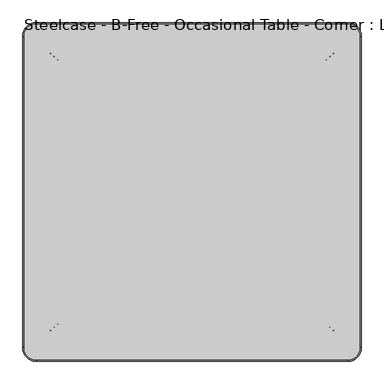
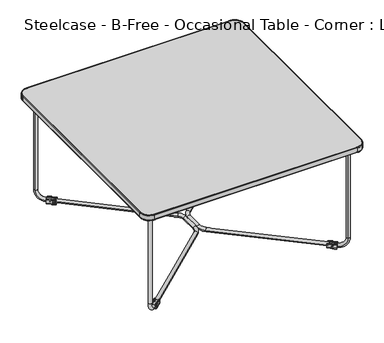
"""IFC4 building model written with IfcOpenShell, lengths in millimetres: furniture geometry, Steelcase - B-Free - Occasional Table - Corner : Laminate Top."""

from ifc_helpers import new_model, si_unit, point, frame, frame_2d, origin, place, context, project, spatial, polyline, circle_curve, ellipse_curve, trimmed, segment, composite_curve, outline, extrude, source, transform, mapped, element, save
from ifc_brep_helpers import plane_surface, cylinder_surface, revolved_surface, extruded_surface, advanced_brep


def steelcase_b_free_occasional_table_corner_laminate_top_5ac02297(model_context):
    return source(origin(), model_context, "Body", "SolidModel", [
        extrude(outline(composite_curve([segment(trimmed(circle_curve(frame_2d((9.812096, -3.9878)), 3.9878), [point((9.812096, 0.0))], [point((13.7998959, -3.9878))], False, "CARTESIAN"), True, "CONTINUOUS"), segment(polyline([(13.7998959, -3.9878), (13.7998959, -15.1383982)]), True, "CONTINUOUS"), segment(trimmed(circle_curve(frame_2d((12.2250941, -15.1383982)), 1.5748018), [point((13.7998959, -15.1383982))], [point((12.2250941, -16.7132))], False, "CARTESIAN"), True, "CONTINUOUS"), segment(polyline([(12.2250941, -16.7132), (10.5107142, -16.7132), (10.5107142, -14.1623671)]), True, "CONTINUOUS"), segment(trimmed(circle_curve(frame_2d((5.0501318, -11.0203867)), 6.3), [point((10.5107142, -14.1623671))], [point((-0.4104506, -14.1623671))], True, "CARTESIAN"), True, "CONTINUOUS"), segment(polyline([(-0.4104506, -14.1623671), (-0.4104506, -16.7132), (-2.1499622, -16.7132)]), True, "CONTINUOUS"), segment(trimmed(circle_curve(frame_2d((-2.1499622, -15.1383986)), 1.5748014), [point((-2.1499622, -16.7132))], [point((-3.7247637, -15.1383986))], False, "CARTESIAN"), True, "CONTINUOUS"), segment(polyline([(-3.7247637, -15.1383986), (-3.7247637, -3.9878)]), True, "CONTINUOUS"), segment(trimmed(circle_curve(frame_2d((0.0, -3.7334386)), 3.7334386), [point((-3.7247637, -3.9878))], [point((0.0, 0.0))], False, "CARTESIAN"), True, "CONTINUOUS"), segment(polyline([(0.0, 0.0), (9.812096, 0.0)]), True, "CONTINUOUS")], self_intersect=False)), frame((60.8887326, -683.9567537, -0.1093042), z_axis=(0.7553542899233464, 0.6553166384995861, 0.0), x_axis=(0.6553166384995861, -0.7553542899233464, 0.0)), (0.0, 0.0, 1.0), 28.5969337),
        advanced_brep(
        [(78.7097673, -667.5762712, 10.2535321), (86.572963, -676.6398265, 10.2535321), (35.2738438, -705.2596256, 369.0), (43.1370394, -714.3231809, 369.0), (59.5237683, -684.2213139, 10.2535321), (67.386964, -693.2848691, 10.2535321), (43.1370394, -714.3231809, 42.3575724), (35.2738438, -705.2596256, 42.3575724)],
        [
            (0, 1, ellipse_curve(frame((82.6413651, -672.1080489, 10.2535321), z_axis=(0.7553542899233493, 0.6553166384995828, 0.0), x_axis=(0.0, 0.0, -1.0)), 6.0, 5.9995392)),
            (1, 0, ellipse_curve(frame((82.6413651, -672.1080489, 10.2535321), z_axis=(0.7553542899233493, 0.6553166384995828, 0.0), x_axis=(0.0, 0.0, -1.0)), 6.0, 5.9995392)),
            (2, 3, ellipse_curve(frame((39.2054416, -709.7914033, 369.0), z_axis=(0.0, 0.0, 1.0), x_axis=(-0.7553542899235204, -0.6553166384993857, 0.0)), 6.0, 5.9995392)),
            (3, 2, ellipse_curve(frame((39.2054416, -709.7914033, 369.0), z_axis=(0.0, 0.0, 1.0), x_axis=(-0.7553542899235204, -0.6553166384993857, 0.0)), 6.0, 5.9995392)),
            (0, 4),
            (4, 5, ellipse_curve(frame((63.4553662, -688.7530915, 10.2535321), z_axis=(0.7553542899233523, 0.6553166384995792, 0.0), x_axis=(0.0, 0.0, -1.0)), 6.0, 5.9995392)),
            (5, 1),
            (5, 4, ellipse_curve(frame((63.4553662, -688.7530915, 10.2535321), z_axis=(0.7553542899233523, 0.6553166384995792, 0.0), x_axis=(0.0, 0.0, -1.0)), 6.0, 5.9995392)),
            (6, 5, circle_curve(frame((67.386964, -693.2848691, 42.3575724), z_axis=(0.6553166384995827, -0.7553542899233493, 0.0), x_axis=(0.0, 0.0, -1.0)), 32.1040403)),
            (4, 7, circle_curve(frame((59.5237683, -684.2213139, 42.3575724), z_axis=(-0.6553166384995827, 0.7553542899233493, 0.0), x_axis=(0.0, 0.0, -1.0)), 32.1040403)),
            (7, 6, ellipse_curve(frame((39.2054416, -709.7914033, 42.3575724), z_axis=(0.0, 0.0, -1.0), x_axis=(-0.7553542899235203, -0.6553166384993856, 0.0)), 6.0, 5.9995392)),
            (6, 7, ellipse_curve(frame((39.2054416, -709.7914033, 42.3575724), z_axis=(0.0, 0.0, -1.0), x_axis=(-0.7553542899235203, -0.6553166384993856, 0.0)), 6.0, 5.9995392)),
            (7, 2),
            (3, 6),
        ],
        [
            plane_surface(frame((87.961107, -678.2398783, 4.2575724), z_axis=(0.7553542899233493, 0.6553166384995828, 0.0), x_axis=(-0.6553166384995828, 0.7553542899233493, 0.0))),
            plane_surface(frame((39.9961096, -719.8524849, 369.0), z_axis=(0.0, 0.0, 1.0), x_axis=(-0.6553166384995827, 0.7553542899233494, 0.0))),
            extruded_surface(trimmed(ellipse_curve(frame((63.4553662, -688.7530915, 10.2535321), z_axis=(0.7553542899233493, 0.6553166384995828, 0.0), x_axis=(0.0, 0.0, -1.0)), 6.0, 5.9995392), [point((59.5237683, -684.2213139, 10.2535321))], [point((67.386964, -693.2848691, 10.2535321))], True, "CARTESIAN"), (19.1859989, 16.64504260000001, 0.0), 25.399999939894023),
            extruded_surface(trimmed(ellipse_curve(frame((63.4553662, -688.7530915, 10.2535321), z_axis=(0.7553542899233493, 0.6553166384995828, 0.0), x_axis=(0.0, 0.0, -1.0)), 6.0, 5.9995392), [point((67.386964, -693.2848691, 10.2535321))], [point((59.5237683, -684.2213139, 10.2535321))], True, "CARTESIAN"), (19.1859989, 16.64504260000001, 0.0), 25.399999939894023),
            revolved_surface(trimmed(ellipse_curve(frame((63.4553662, -688.7530915, 10.2535321), z_axis=(0.7553542899233523, 0.6553166384995792, 0.0), x_axis=(0.0, 0.0, -1.0)), 6.0, 5.9995392), [point((59.5237683, -684.2213139, 10.2535321))], [point((67.386964, -693.2848691, 10.2535321))], True, "CARTESIAN"), (68.775108, -694.8849209, 42.3575724), (-0.6553166384995827, 0.7553542899233493, 0.0)),
            revolved_surface(trimmed(ellipse_curve(frame((63.4553662, -688.7530915, 10.2535321), z_axis=(0.7553542899233523, 0.6553166384995792, 0.0), x_axis=(0.0, 0.0, -1.0)), 6.0, 5.9995392), [point((67.386964, -693.2848691, 10.2535321))], [point((59.5237683, -684.2213139, 10.2535321))], True, "CARTESIAN"), (68.775108, -694.8849209, 42.3575724), (-0.6553166384995827, 0.7553542899233493, 0.0)),
            extruded_surface(trimmed(ellipse_curve(frame((39.2054416, -709.7914033, 369.0), z_axis=(0.0, 0.0, -1.0), x_axis=(-0.7553542899235204, -0.6553166384993857, 0.0)), 6.0, 5.9995392), [point((35.2738438, -705.2596256, 369.0))], [point((43.1370394, -714.3231809, 369.0))], True, "CARTESIAN"), (0.0, 0.0, -326.6424276), 326.6424276),
            extruded_surface(trimmed(ellipse_curve(frame((39.2054416, -709.7914033, 369.0), z_axis=(0.0, 0.0, -1.0), x_axis=(-0.7553542899235204, -0.6553166384993857, 0.0)), 6.0, 5.9995392), [point((43.1370394, -714.3231809, 369.0))], [point((35.2738438, -705.2596256, 369.0))], True, "CARTESIAN"), (0.0, 0.0, -326.6424276), 326.6424276),
        ],
        [
            (0, [[1, 2]]),
            (1, [[3, 4]]),
            (2, [[-1, 5, 6, 7]]),
            (3, [[-2, -7, 8, -5]]),
            (4, [[9, -6, 10, 11]]),
            (5, [[-10, -8, -9, 12]]),
            (6, [[-11, 13, -4, 14]]),
            (7, [[-12, -14, -3, -13]]),
        ],
    ),
        extrude(outline(composite_curve([segment(trimmed(circle_curve(frame_2d((0.0, -3.9878)), 3.9878), [point((-3.9878, -3.9878))], [point((0.0, 0.0))], False, "CARTESIAN"), True, "CONTINUOUS"), segment(polyline([(0.0, 0.0), (11.1505982, 0.0)]), True, "CONTINUOUS"), segment(trimmed(circle_curve(frame_2d((11.1505982, -1.5748018)), 1.5748018), [point((11.1505982, 0.0))], [point((12.7254, -1.5748018))], False, "CARTESIAN"), True, "CONTINUOUS"), segment(polyline([(12.7254, -1.5748018), (12.7254, -3.2891818), (10.1745671, -3.2891818)]), True, "CONTINUOUS"), segment(trimmed(circle_curve(frame_2d((7.0325867, -8.7497641)), 6.3), [point((10.1745671, -3.2891818))], [point((10.1745671, -14.2103464))], True, "CARTESIAN"), True, "CONTINUOUS"), segment(polyline([(10.1745671, -14.2103464), (12.7254, -14.2103464), (12.7254, -15.9498581)]), True, "CONTINUOUS"), segment(trimmed(circle_curve(frame_2d((11.1505986, -15.9498581)), 1.5748014), [point((12.7254, -15.9498581))], [point((11.1505986, -17.5246595))], False, "CARTESIAN"), True, "CONTINUOUS"), segment(polyline([(11.1505986, -17.5246595), (0.0, -17.5246595)]), True, "CONTINUOUS"), segment(trimmed(circle_curve(frame_2d((-0.2543614, -13.7998959)), 3.7334386), [point((0.0, -17.5246595))], [point((-3.9878, -13.7998959))], False, "CARTESIAN"), True, "CONTINUOUS"), segment(polyline([(-3.9878, -13.7998959), (-3.9878, -3.9878)]), True, "CONTINUOUS")], self_intersect=False)), frame((91.5328506, -73.6594822, 3.8784958), z_axis=(-0.7553542899233464, 0.6553166384995861, 0.0), x_axis=(0.0, 0.0, 1.0)), (0.0, 0.0, 1.0), 28.5969337),
        advanced_brep(
        [(78.7097673, -81.7237288, 10.2535321), (86.572963, -72.6601735, 10.2535321), (35.2738438, -44.0403744, 369.0), (43.1370394, -34.9768191, 369.0), (67.386964, -56.0151309, 10.2535321), (59.5237683, -65.0786861, 10.2535321), (35.2738438, -44.0403744, 42.3575724), (43.1370394, -34.9768191, 42.3575724)],
        [
            (0, 1, ellipse_curve(frame((82.6413651, -77.1919511, 10.2535321), z_axis=(0.7553542899233493, -0.6553166384995828, 0.0), x_axis=(0.0, 0.0, -1.0)), 6.0, 5.9995392)),
            (1, 0, ellipse_curve(frame((82.6413651, -77.1919511, 10.2535321), z_axis=(0.7553542899233493, -0.6553166384995828, 0.0), x_axis=(0.0, 0.0, -1.0)), 6.0, 5.9995392)),
            (2, 3, ellipse_curve(frame((39.2054416, -39.5085967, 369.0), z_axis=(0.0, 0.0, 1.0), x_axis=(-0.7553542899235204, 0.6553166384993857, 0.0)), 6.0, 5.9995392)),
            (3, 2, ellipse_curve(frame((39.2054416, -39.5085967, 369.0), z_axis=(0.0, 0.0, 1.0), x_axis=(-0.7553542899235204, 0.6553166384993857, 0.0)), 6.0, 5.9995392)),
            (1, 4),
            (4, 5, ellipse_curve(frame((63.4553662, -60.5469085, 10.2535321), z_axis=(0.7553542899233523, -0.6553166384995792, 0.0), x_axis=(0.0, 0.0, -1.0)), 6.0, 5.9995392)),
            (5, 0),
            (5, 4, ellipse_curve(frame((63.4553662, -60.5469085, 10.2535321), z_axis=(0.7553542899233523, -0.6553166384995792, 0.0), x_axis=(0.0, 0.0, -1.0)), 6.0, 5.9995392)),
            (6, 5, circle_curve(frame((59.5237683, -65.0786861, 42.3575724), z_axis=(-0.6553166384995827, -0.7553542899233493, 0.0), x_axis=(0.0, 0.0, -1.0)), 32.1040403)),
            (4, 7, circle_curve(frame((67.386964, -56.0151309, 42.3575724), z_axis=(0.6553166384995827, 0.7553542899233493, 0.0), x_axis=(0.0, 0.0, -1.0)), 32.1040403)),
            (7, 6, ellipse_curve(frame((39.2054416, -39.5085967, 42.3575724), z_axis=(0.0, 0.0, -1.0), x_axis=(-0.7553542899235203, 0.6553166384993856, 0.0)), 6.0, 5.9995392)),
            (6, 7, ellipse_curve(frame((39.2054416, -39.5085967, 42.3575724), z_axis=(0.0, 0.0, -1.0), x_axis=(-0.7553542899235203, 0.6553166384993856, 0.0)), 6.0, 5.9995392)),
            (7, 3),
            (2, 6),
        ],
        [
            plane_surface(frame((87.961107, -71.0601217, 4.2575724), z_axis=(0.7553542899233493, -0.6553166384995828, 0.0), x_axis=(-0.6553166384995828, -0.7553542899233493, 0.0))),
            plane_surface(frame((39.9961096, -29.4475151, 369.0), z_axis=(0.0, 0.0, 1.0), x_axis=(-0.6553166384995827, -0.7553542899233494, 0.0))),
            extruded_surface(trimmed(ellipse_curve(frame((63.4553662, -60.5469085, 10.2535321), z_axis=(0.7553542899233493, -0.6553166384995828, 0.0), x_axis=(0.0, 0.0, -1.0)), 6.0, 5.9995392), [point((67.386964, -56.0151309, 10.2535321))], [point((59.5237683, -65.0786861, 10.2535321))], True, "CARTESIAN"), (19.1859989, -16.645042599999996, 0.0), 25.399999939894013),
            extruded_surface(trimmed(ellipse_curve(frame((63.4553662, -60.5469085, 10.2535321), z_axis=(0.7553542899233493, -0.6553166384995828, 0.0), x_axis=(0.0, 0.0, -1.0)), 6.0, 5.9995392), [point((59.5237683, -65.0786861, 10.2535321))], [point((67.386964, -56.0151309, 10.2535321))], True, "CARTESIAN"), (19.1859989, -16.645042599999996, 0.0), 25.399999939894013),
            revolved_surface(trimmed(ellipse_curve(frame((63.4553662, -60.5469085, 10.2535321), z_axis=(0.7553542899233523, -0.6553166384995792, 0.0), x_axis=(0.0, 0.0, -1.0)), 6.0, 5.9995392), [point((67.386964, -56.0151309, 10.2535321))], [point((59.5237683, -65.0786861, 10.2535321))], True, "CARTESIAN"), (68.775108, -54.4150791, 42.3575724), (0.6553166384995827, 0.7553542899233493, 0.0)),
            revolved_surface(trimmed(ellipse_curve(frame((63.4553662, -60.5469085, 10.2535321), z_axis=(0.7553542899233523, -0.6553166384995792, 0.0), x_axis=(0.0, 0.0, -1.0)), 6.0, 5.9995392), [point((59.5237683, -65.0786861, 10.2535321))], [point((67.386964, -56.0151309, 10.2535321))], True, "CARTESIAN"), (68.775108, -54.4150791, 42.3575724), (0.6553166384995827, 0.7553542899233493, 0.0)),
            extruded_surface(trimmed(ellipse_curve(frame((39.2054416, -39.5085967, 369.0), z_axis=(0.0, 0.0, -1.0), x_axis=(-0.7553542899235204, 0.6553166384993857, 0.0)), 6.0, 5.9995392), [point((43.1370394, -34.9768191, 369.0))], [point((35.2738438, -44.0403744, 369.0))], True, "CARTESIAN"), (0.0, 0.0, -326.6424276), 326.6424276),
            extruded_surface(trimmed(ellipse_curve(frame((39.2054416, -39.5085967, 369.0), z_axis=(0.0, 0.0, -1.0), x_axis=(-0.7553542899235204, 0.6553166384993857, 0.0)), 6.0, 5.9995392), [point((35.2738438, -44.0403744, 369.0))], [point((43.1370394, -34.9768191, 369.0))], True, "CARTESIAN"), (0.0, 0.0, -326.6424276), 326.6424276),
        ],
        [
            (0, [[1, 2]]),
            (1, [[3, 4]]),
            (2, [[-2, 5, 6, 7]]),
            (3, [[-1, -7, 8, -5]]),
            (4, [[9, -6, 10, 11]]),
            (5, [[-10, -8, -9, 12]]),
            (6, [[-11, 13, -3, 14]]),
            (7, [[-12, -14, -4, -13]]),
        ],
    ),
        advanced_brep(
        [(78.854197, -682.840235, 10.2535321), (70.8810384, -673.8720277, 10.2535321), (352.8630099, -423.1767789, 10.2535321), (360.8361685, -432.1449862, 10.2535321), (374.4091053, -401.9166017, 10.2535321), (362.4091053, -401.9166017, 10.2535321), (362.4091053, -346.5187424, 10.2535321), (374.4091053, -346.5187424, 10.2535321), (82.5102415, -69.4616102, 10.2535321), (74.534704, -78.4277019, 10.2535321), (361.4033274, -317.5431963, 10.2535321), (353.4277899, -326.5092881, 10.2535321)],
        [
            (0, 1, circle_curve(frame((74.8676177, -678.3561314, 10.2535321), z_axis=(-0.7473506107488803, -0.6644298793802665, 0.0), x_axis=(-0.6644298793802665, 0.7473506107488803, 0.0)), 6.0)),
            (1, 0, circle_curve(frame((74.8676177, -678.3561314, 10.2535321), z_axis=(-0.7473506107488803, -0.6644298793802665, 0.0), x_axis=(-0.6644298793802665, 0.7473506107488803, 0.0)), 6.0)),
            (1, 2),
            (2, 3, circle_curve(frame((356.8495892, -427.6608825, 10.2535321), z_axis=(-0.7473506107488803, -0.6644298793802665, 0.0), x_axis=(-0.6644298793802665, 0.7473506107488803, 0.0)), 6.0)),
            (3, 0),
            (3, 2, circle_curve(frame((356.8495892, -427.6608825, 10.2535321), z_axis=(-0.7473506107488803, -0.6644298793802665, 0.0), x_axis=(-0.6644298793802665, 0.7473506107488803, 0.0)), 6.0)),
            (4, 5, circle_curve(frame((368.4091053, -401.9166017, 10.2535321), z_axis=(0.0, 1.0, 0.0), x_axis=(-1.0, 0.0, 0.0)), 6.0)),
            (5, 6),
            (6, 7, circle_curve(frame((368.4091053, -346.5187424, 10.2535321), z_axis=(0.0, -1.0, 0.0), x_axis=(-1.0, 0.0, 0.0)), 6.0)),
            (7, 4),
            (5, 4, circle_curve(frame((368.4091053, -401.9166017, 10.2535321), z_axis=(0.0, 1.0, 0.0), x_axis=(-1.0, 0.0, 0.0)), 6.0)),
            (7, 6, circle_curve(frame((368.4091053, -346.5187424, 10.2535321), z_axis=(0.0, -1.0, 0.0), x_axis=(-1.0, 0.0, 0.0)), 6.0)),
            (8, 9, circle_curve(frame((78.5224727, -73.944656, 10.2535321), z_axis=(-0.7471743136777035, 0.6646281253304382, 0.0), x_axis=(-0.6646281253304382, -0.7471743136777035, 0.0)), 6.0)),
            (9, 8, circle_curve(frame((78.5224727, -73.944656, 10.2535321), z_axis=(-0.7471743136777035, 0.6646281253304382, 0.0), x_axis=(-0.6646281253304382, -0.7471743136777035, 0.0)), 6.0)),
            (10, 11, circle_curve(frame((357.4155586, -322.0262422, 10.2535321), z_axis=(-0.7471743136777035, 0.6646281253304382, 0.0), x_axis=(-0.6646281253304382, -0.7471743136777035, 0.0)), 6.0)),
            (11, 9),
            (8, 10),
            (11, 10, circle_curve(frame((357.4155586, -322.0262422, 10.2535321), z_axis=(-0.7471743136777035, 0.6646281253304382, 0.0), x_axis=(-0.6646281253304382, -0.7471743136777035, 0.0)), 6.0)),
            (4, 3, circle_curve(frame((333.9617115, -401.9166017, 10.2535321), z_axis=(0.0, 0.0, -1.0), x_axis=(0.6644298793802712, -0.7473506107488762, 0.0)), 40.4473939)),
            (2, 5, circle_curve(frame((333.9617115, -401.9166017, 10.2535321), z_axis=(0.0, 0.0, 1.0), x_axis=(0.6644298793802712, -0.7473506107488762, 0.0)), 28.4473939)),
            (10, 7, circle_curve(frame((335.6289364, -346.5187424, 10.2535321), z_axis=(0.0, 0.0, -1.0), x_axis=(1.0, 0.0, 0.0)), 38.7801689)),
            (6, 11, circle_curve(frame((335.6289364, -346.5187424, 10.2535321), z_axis=(0.0, 0.0, 1.0), x_axis=(1.0, 0.0, 0.0)), 26.7801689)),
        ],
        [
            plane_surface(frame((70.8810384, -673.8720277, 0.0), z_axis=(-0.7473506107488803, -0.6644298793802665, 0.0), x_axis=(0.0, 0.0, 1.0))),
            cylinder_surface(frame((74.8676177, -678.3561314, 10.2535321), z_axis=(-0.7473506107488803, -0.6644298793802665, 0.0), x_axis=(-0.6644298793802665, 0.7473506107488803, 0.0)), 6.0),
            cylinder_surface(frame((368.4091053, -401.9166017, 10.2535321), z_axis=(0.0, -1.0, 0.0), x_axis=(-1.0, 0.0, 0.0)), 6.0),
            plane_surface(frame((74.534704, -78.4277019, 0.0), z_axis=(-0.7471743136777036, 0.6646281253304382, 0.0), x_axis=(0.0, 0.0, 1.0))),
            cylinder_surface(frame((357.4155586, -322.0262422, 10.2535321), z_axis=(0.7471743136777035, -0.6646281253304382, 0.0), x_axis=(-0.6646281253304382, -0.7471743136777035, 0.0)), 6.0),
            revolved_surface(trimmed(ellipse_curve(frame((356.8495892, -427.6608825, 10.2535321), z_axis=(-0.7473506107488761, -0.6644298793802713, 0.0), x_axis=(-0.6644298793802713, 0.7473506107488761, 0.0)), 6.0, 6.0), [point((352.8630099, -423.1767789, 10.2535321))], [point((360.8361685, -432.1449862, 10.2535321))], True, "CARTESIAN"), (333.9617115, -401.9166017, 0.0), (0.0, 0.0, 1.0)),
            revolved_surface(trimmed(ellipse_curve(frame((356.8495892, -427.6608825, 10.2535321), z_axis=(-0.7473506107488761, -0.6644298793802713, 0.0), x_axis=(-0.6644298793802713, 0.7473506107488761, 0.0)), 6.0, 6.0), [point((360.8361685, -432.1449862, 10.2535321))], [point((352.8630099, -423.1767789, 10.2535321))], True, "CARTESIAN"), (333.9617115, -401.9166017, 0.0), (0.0, 0.0, 1.0)),
            revolved_surface(trimmed(ellipse_curve(frame((368.4091053, -346.5187424, 10.2535321), z_axis=(0.0, -1.0, 0.0), x_axis=(-1.0, 0.0, 0.0)), 6.0, 6.0), [point((362.4091053, -346.5187424, 10.2535321))], [point((374.4091053, -346.5187424, 10.2535321))], True, "CARTESIAN"), (335.6289364, -346.5187424, 0.0), (0.0, 0.0, 1.0)),
            revolved_surface(trimmed(ellipse_curve(frame((368.4091053, -346.5187424, 10.2535321), z_axis=(0.0, -1.0, 0.0), x_axis=(-1.0, 0.0, 0.0)), 6.0, 6.0), [point((374.4091053, -346.5187424, 10.2535321))], [point((362.4091053, -346.5187424, 10.2535321))], True, "CARTESIAN"), (335.6289364, -346.5187424, 0.0), (0.0, 0.0, 1.0)),
        ],
        [
            (0, [[1, 2]]),
            (1, [[-2, 3, 4, 5]]),
            (1, [[-1, -5, 6, -3]]),
            (2, [[7, 8, 9, 10]]),
            (2, [[11, -10, 12, -8]]),
            (3, [[13, 14]]),
            (4, [[15, 16, -13, 17]]),
            (4, [[18, -17, -14, -16]]),
            (5, [[19, -4, 20, -7]]),
            (6, [[-20, -6, -19, -11]]),
            (7, [[21, -9, 22, -15]]),
            (8, [[-22, -12, -21, -18]]),
        ],
    ),
        advanced_brep(
        [(30.6815303, -749.2666404, 368.202162), (0.0, -718.5851102, 368.202162), (1.9795303, -718.5851102, 366.2209602), (30.6815303, -747.2871102, 366.2209602), (30.6815303, -749.2666404, 383.2397252), (0.0, -718.5851102, 383.2397252), (30.6815303, -747.2871102, 385.220927), (1.9795303, -718.5851102, 385.220927), (718.566, -747.2871102, 366.2209602), (718.566, -749.2666404, 368.202162), (718.566, -749.2666404, 383.2397252), (718.566, -747.2871102, 385.220927), (749.2475303, -718.5851102, 368.202162), (747.268, -718.5851102, 366.2209602), (749.2475303, -718.5851102, 383.2397252), (747.268, -718.5851102, 385.220927), (747.268, -30.8248273, 366.2209602), (749.2475303, -30.8248273, 368.202162), (749.2475303, -30.8248273, 383.2397252), (747.268, -30.8248273, 385.220927), (718.4751727, -0.0524697, 368.202162), (718.4751727, -2.032, 366.2209602), (718.4751727, -0.0524697, 383.2397252), (718.4751727, -2.032, 385.220927), (30.7240133, -2.032, 366.2209602), (30.7240133, -0.0524697, 368.202162), (30.7240133, -0.0524697, 383.2397252), (30.7240133, -2.032, 385.220927), (0.0, -30.7764831, 368.202162), (1.9795303, -30.7764831, 366.2209602), (0.0, -30.7764831, 383.2397252), (1.9795303, -30.7764831, 385.220927)],
        [
            (0, 1, circle_curve(frame((30.6815303, -718.5851102, 368.202162), z_axis=(0.0, 0.0, -1.0), x_axis=(-1.0, 0.0, 0.0)), 30.6815303)),
            (1, 2, circle_curve(frame((1.9812024, -718.5851102, 368.202162), z_axis=(0.0, -1.0, 0.0), x_axis=(1.0, 0.0, 0.0)), 1.9812024)),
            (2, 3, circle_curve(frame((30.6815303, -718.5851102, 366.2209602), z_axis=(0.0, 0.0, 1.0), x_axis=(-1.0, 0.0, 0.0)), 28.702)),
            (3, 0, circle_curve(frame((30.6815303, -747.285438, 368.202162), z_axis=(-1.0, 0.0, 0.0), x_axis=(0.0, 1.0, 0.0)), 1.9812024)),
            (4, 5, circle_curve(frame((30.6815303, -718.5851102, 383.2397252), z_axis=(0.0, 0.0, -1.0), x_axis=(-1.0, 0.0, 0.0)), 30.6815303)),
            (5, 1),
            (0, 4),
            (6, 7, circle_curve(frame((30.6815303, -718.5851102, 385.220927), z_axis=(0.0, 0.0, -1.0), x_axis=(-1.0, 0.0, 0.0)), 28.702)),
            (7, 5, circle_curve(frame((1.9812024, -718.5851102, 383.2397252), z_axis=(0.0, -1.0, 0.0), x_axis=(1.0, 0.0, 0.0)), 1.9812024)),
            (4, 6, circle_curve(frame((30.6815303, -747.285438, 383.2397252), z_axis=(-1.0, 0.0, 0.0), x_axis=(0.0, 1.0, 0.0)), 1.9812024)),
            (2, 7),
            (6, 3),
            (3, 8),
            (8, 9, circle_curve(frame((718.566, -747.285438, 368.202162), z_axis=(-1.0, 0.0, 0.0), x_axis=(0.0, 1.0, 0.0)), 1.9812024)),
            (9, 0),
            (9, 10),
            (10, 4),
            (10, 11, circle_curve(frame((718.566, -747.285438, 383.2397252), z_axis=(-1.0, 0.0, 0.0), x_axis=(0.0, 1.0, 0.0)), 1.9812024)),
            (11, 6),
            (11, 8),
            (12, 9, circle_curve(frame((718.566, -718.5851102, 368.202162), z_axis=(0.0, 0.0, -1.0), x_axis=(0.0, -1.0, 0.0)), 30.6815303)),
            (8, 13, circle_curve(frame((718.566, -718.5851102, 366.2209602), z_axis=(0.0, 0.0, 1.0), x_axis=(0.0, -1.0, 0.0)), 28.702)),
            (13, 12, circle_curve(frame((747.2663278, -718.5851102, 368.202162), z_axis=(0.0, -1.0, 0.0), x_axis=(-1.0, 0.0, 0.0)), 1.9812024)),
            (14, 10, circle_curve(frame((718.566, -718.5851102, 383.2397252), z_axis=(0.0, 0.0, -1.0), x_axis=(0.0, -1.0, 0.0)), 30.6815303)),
            (12, 14),
            (15, 11, circle_curve(frame((718.566, -718.5851102, 385.220927), z_axis=(0.0, 0.0, -1.0), x_axis=(0.0, -1.0, 0.0)), 28.702)),
            (14, 15, circle_curve(frame((747.2663278, -718.5851102, 383.2397252), z_axis=(0.0, -1.0, 0.0), x_axis=(-1.0, 0.0, 0.0)), 1.9812024)),
            (15, 13),
            (13, 16),
            (16, 17, circle_curve(frame((747.2663278, -30.8248273, 368.202162), z_axis=(0.0, -1.0, 0.0), x_axis=(-1.0, 0.0, 0.0)), 1.9812024)),
            (17, 12),
            (17, 18),
            (18, 14),
            (18, 19, circle_curve(frame((747.2663278, -30.8248273, 383.2397252), z_axis=(0.0, -1.0, 0.0), x_axis=(-1.0, 0.0, 0.0)), 1.9812024)),
            (19, 15),
            (19, 16),
            (20, 17, circle_curve(frame((718.4751727, -30.8248273, 368.202162), z_axis=(0.0, 0.0, -1.0), x_axis=(1.0, 0.0, 0.0)), 30.7723576)),
            (16, 21, circle_curve(frame((718.4751727, -30.8248273, 366.2209602), z_axis=(0.0, 0.0, 1.0), x_axis=(1.0, 0.0, 0.0)), 28.7928273)),
            (21, 20, circle_curve(frame((718.4751727, -2.0336722, 368.202162), z_axis=(1.0, 0.0, 0.0), x_axis=(0.0, -1.0, 0.0)), 1.9812024)),
            (22, 18, circle_curve(frame((718.4751727, -30.8248273, 383.2397252), z_axis=(0.0, 0.0, -1.0), x_axis=(1.0, 0.0, 0.0)), 30.7723576)),
            (20, 22),
            (23, 19, circle_curve(frame((718.4751727, -30.8248273, 385.220927), z_axis=(0.0, 0.0, -1.0), x_axis=(1.0, 0.0, 0.0)), 28.7928273)),
            (22, 23, circle_curve(frame((718.4751727, -2.0336722, 383.2397252), z_axis=(1.0, 0.0, 0.0), x_axis=(0.0, -1.0, 0.0)), 1.9812024)),
            (23, 21),
            (21, 24),
            (24, 25, circle_curve(frame((30.7240133, -2.0336722, 368.202162), z_axis=(1.0, 0.0, 0.0), x_axis=(0.0, -1.0, 0.0)), 1.9812024)),
            (25, 20),
            (25, 26),
            (26, 22),
            (26, 27, circle_curve(frame((30.7240133, -2.0336722, 383.2397252), z_axis=(1.0, 0.0, 0.0), x_axis=(0.0, -1.0, 0.0)), 1.9812024)),
            (27, 23),
            (27, 24),
            (28, 25, circle_curve(frame((30.7240133, -30.7764831, 368.202162), z_axis=(0.0, 0.0, -1.0), x_axis=(0.0, 1.0, 0.0)), 30.7240133)),
            (24, 29, circle_curve(frame((30.7240133, -30.7764831, 366.2209602), z_axis=(0.0, 0.0, 1.0), x_axis=(0.0, 1.0, 0.0)), 28.7444831)),
            (29, 28, circle_curve(frame((1.9812024, -30.7764831, 368.202162), z_axis=(0.0, 1.0, 0.0), x_axis=(1.0, 0.0, 0.0)), 1.9812024)),
            (30, 26, circle_curve(frame((30.7240133, -30.7764831, 383.2397252), z_axis=(0.0, 0.0, -1.0), x_axis=(0.0, 1.0, 0.0)), 30.7240133)),
            (28, 30),
            (31, 27, circle_curve(frame((30.7240133, -30.7764831, 385.220927), z_axis=(0.0, 0.0, -1.0), x_axis=(0.0, 1.0, 0.0)), 28.7444831)),
            (30, 31, circle_curve(frame((1.9812024, -30.7764831, 383.2397252), z_axis=(0.0, 1.0, 0.0), x_axis=(1.0, 0.0, 0.0)), 1.9812024)),
            (31, 29),
            (29, 2),
            (1, 28),
            (5, 30),
            (7, 31),
        ],
        [
            revolved_surface(trimmed(ellipse_curve(frame((1.9812024, -718.5851102, 368.202162), z_axis=(0.0, 1.0, 0.0), x_axis=(1.0, 0.0, 0.0)), 1.9812024, 1.9812024), [point((1.9795303, -718.5851102, 366.2209602))], [point((0.0, -718.5851102, 368.202162))], True, "CARTESIAN"), (30.6815303, -718.5851102, 0.0), (0.0, 0.0, 1.0)),
            cylinder_surface(frame((30.6815303, -718.5851102, 0.0), z_axis=(0.0, 0.0, 1.0), x_axis=(-1.0, 0.0, 0.0)), 30.6815303),
            revolved_surface(trimmed(ellipse_curve(frame((1.9812024, -718.5851102, 383.2397252), z_axis=(0.0, 1.0, 0.0), x_axis=(1.0, 0.0, 0.0)), 1.9812024, 1.9812024), [point((0.0, -718.5851102, 383.2397252))], [point((1.9795303, -718.5851102, 385.220927))], True, "CARTESIAN"), (30.6815303, -718.5851102, 0.0), (0.0, 0.0, 1.0)),
            revolved_surface(polyline([(1.9795302999999969, -718.5851102, 385.220927), (1.9795302999999969, -718.5851102, 366.2209602)]), (30.6815303, -718.5851102, 0.0), (0.0, 0.0, 1.0)),
            cylinder_surface(frame((30.6815303, -747.285438, 368.202162), z_axis=(-1.0, 0.0, 0.0), x_axis=(0.0, 1.0, 0.0)), 1.9812024),
            plane_surface(frame((30.6815303, -749.2666404, 368.202162), z_axis=(0.0, -1.0, 0.0), x_axis=(1.0, 0.0, 0.0))),
            cylinder_surface(frame((30.6815303, -747.285438, 383.2397252), z_axis=(-1.0, 0.0, 0.0), x_axis=(0.0, 1.0, 0.0)), 1.9812024),
            plane_surface(frame((30.6815303, -747.2871102, 385.220927), z_axis=(0.0, 1.0, 0.0), x_axis=(1.0, 0.0, 0.0))),
            revolved_surface(trimmed(ellipse_curve(frame((718.566, -747.285438, 368.202162), z_axis=(-1.0, 0.0, 0.0), x_axis=(0.0, 1.0, 0.0)), 1.9812024, 1.9812024), [point((718.566, -747.2871102, 366.2209602))], [point((718.566, -749.2666404, 368.202162))], True, "CARTESIAN"), (718.566, -718.5851102, 0.0), (0.0, 0.0, 1.0)),
            cylinder_surface(frame((718.566, -718.5851102, 0.0), z_axis=(0.0, 0.0, 1.0), x_axis=(0.0, -1.0, 0.0)), 30.6815303),
            revolved_surface(trimmed(ellipse_curve(frame((718.566, -747.285438, 383.2397252), z_axis=(-1.0, 0.0, 0.0), x_axis=(0.0, 1.0, 0.0)), 1.9812024, 1.9812024), [point((718.566, -749.2666404, 383.2397252))], [point((718.566, -747.2871102, 385.220927))], True, "CARTESIAN"), (718.566, -718.5851102, 0.0), (0.0, 0.0, 1.0)),
            revolved_surface(polyline([(718.566, -747.2871102, 385.220927), (718.566, -747.2871102, 366.2209602)]), (718.566, -718.5851102, 0.0), (0.0, 0.0, 1.0)),
            cylinder_surface(frame((747.2663278, -718.5851102, 368.202162), z_axis=(0.0, -1.0, 0.0), x_axis=(-1.0, 0.0, 0.0)), 1.9812024),
            plane_surface(frame((749.2475303, -718.5851102, 368.202162), z_axis=(1.0, 0.0, 0.0), x_axis=(0.0, 1.0, 0.0))),
            cylinder_surface(frame((747.2663278, -718.5851102, 383.2397252), z_axis=(0.0, -1.0, 0.0), x_axis=(-1.0, 0.0, 0.0)), 1.9812024),
            plane_surface(frame((747.268, -718.5851102, 385.220927), z_axis=(-1.0, 0.0, 0.0), x_axis=(0.0, 1.0, 0.0))),
            revolved_surface(trimmed(ellipse_curve(frame((747.2663278, -30.8248273, 368.202162), z_axis=(0.0, -1.0, 0.0), x_axis=(-1.0, 0.0, 0.0)), 1.9812024, 1.9812024), [point((747.268, -30.8248273, 366.2209602))], [point((749.2475303, -30.8248273, 368.202162))], True, "CARTESIAN"), (718.4751727, -30.8248273, 0.0), (0.0, 0.0, 1.0)),
            cylinder_surface(frame((718.4751727, -30.8248273, 0.0), z_axis=(0.0, 0.0, 1.0), x_axis=(1.0, 0.0, 0.0)), 30.7723576),
            revolved_surface(trimmed(ellipse_curve(frame((747.2663278, -30.8248273, 383.2397252), z_axis=(0.0, -1.0, 0.0), x_axis=(-1.0, 0.0, 0.0)), 1.9812024, 1.9812024), [point((749.2475303, -30.8248273, 383.2397252))], [point((747.268, -30.8248273, 385.220927))], True, "CARTESIAN"), (718.4751727, -30.8248273, 0.0), (0.0, 0.0, 1.0)),
            revolved_surface(polyline([(747.268, -30.8248273, 385.220927), (747.268, -30.8248273, 366.2209602)]), (718.4751727, -30.8248273, 0.0), (0.0, 0.0, 1.0)),
            cylinder_surface(frame((718.4751727, -2.0336722, 368.202162), z_axis=(1.0, 0.0, 0.0), x_axis=(0.0, -1.0, 0.0)), 1.9812024),
            plane_surface(frame((718.4751727, -0.0524697, 368.202162), z_axis=(0.0, 1.0, 0.0), x_axis=(-1.0, 0.0, 0.0))),
            cylinder_surface(frame((718.4751727, -2.0336722, 383.2397252), z_axis=(1.0, 0.0, 0.0), x_axis=(0.0, -1.0, 0.0)), 1.9812024),
            plane_surface(frame((718.4751727, -2.032, 385.220927), z_axis=(0.0, -1.0, 0.0), x_axis=(-1.0, 0.0, 0.0))),
            revolved_surface(trimmed(ellipse_curve(frame((30.7240133, -2.0336722, 368.202162), z_axis=(1.0, 0.0, 0.0), x_axis=(0.0, -1.0, 0.0)), 1.9812024, 1.9812024), [point((30.7240133, -2.032, 366.2209602))], [point((30.7240133, -0.0524697, 368.202162))], True, "CARTESIAN"), (30.7240133, -30.7764831, 0.0), (0.0, 0.0, 1.0)),
            cylinder_surface(frame((30.7240133, -30.7764831, 0.0), z_axis=(0.0, 0.0, 1.0), x_axis=(0.0, 1.0, 0.0)), 30.7240133),
            revolved_surface(trimmed(ellipse_curve(frame((30.7240133, -2.0336722, 383.2397252), z_axis=(1.0, 0.0, 0.0), x_axis=(0.0, -1.0, 0.0)), 1.9812024, 1.9812024), [point((30.7240133, -0.0524697, 383.2397252))], [point((30.7240133, -2.032, 385.220927))], True, "CARTESIAN"), (30.7240133, -30.7764831, 0.0), (0.0, 0.0, 1.0)),
            revolved_surface(polyline([(30.7240133, -2.032, 385.220927), (30.7240133, -2.032, 366.2209602)]), (30.7240133, -30.7764831, 0.0), (0.0, 0.0, 1.0)),
            cylinder_surface(frame((1.9812024, -30.7764831, 368.202162), z_axis=(0.0, 1.0, 0.0), x_axis=(1.0, 0.0, 0.0)), 1.9812024),
            plane_surface(frame((0.0, -30.7764831, 368.202162), z_axis=(-1.0, 0.0, 0.0), x_axis=(0.0, -1.0, 0.0))),
            cylinder_surface(frame((1.9812024, -30.7764831, 383.2397252), z_axis=(0.0, 1.0, 0.0), x_axis=(1.0, 0.0, 0.0)), 1.9812024),
            plane_surface(frame((1.9795303, -30.7764831, 385.220927), z_axis=(1.0, 0.0, 0.0), x_axis=(0.0, -1.0, 0.0))),
        ],
        [
            (0, [[1, 2, 3, 4]]),
            (1, [[5, 6, -1, 7]]),
            (2, [[8, 9, -5, 10]]),
            (3, [[-3, 11, -8, 12]]),
            (4, [[-4, 13, 14, 15]]),
            (5, [[-7, -15, 16, 17]]),
            (6, [[-10, -17, 18, 19]]),
            (7, [[-12, -19, 20, -13]]),
            (8, [[21, -14, 22, 23]]),
            (9, [[24, -16, -21, 25]]),
            (10, [[26, -18, -24, 27]]),
            (11, [[-22, -20, -26, 28]]),
            (12, [[-23, 29, 30, 31]]),
            (13, [[-25, -31, 32, 33]]),
            (14, [[-27, -33, 34, 35]]),
            (15, [[-28, -35, 36, -29]]),
            (16, [[37, -30, 38, 39]]),
            (17, [[40, -32, -37, 41]]),
            (18, [[42, -34, -40, 43]]),
            (19, [[-38, -36, -42, 44]]),
            (20, [[-39, 45, 46, 47]]),
            (21, [[-41, -47, 48, 49]]),
            (22, [[-43, -49, 50, 51]]),
            (23, [[-44, -51, 52, -45]]),
            (24, [[53, -46, 54, 55]]),
            (25, [[56, -48, -53, 57]]),
            (26, [[58, -50, -56, 59]]),
            (27, [[-54, -52, -58, 60]]),
            (28, [[-55, 61, -2, 62]]),
            (29, [[-57, -62, -6, 63]]),
            (30, [[-59, -63, -9, 64]]),
            (31, [[-60, -64, -11, -61]]),
        ],
    ),
        extrude(outline(composite_curve([segment(polyline([(3.9878, -3.9878), (3.9878, -13.7998959)]), True, "CONTINUOUS"), segment(trimmed(circle_curve(frame_2d((0.2543614, -13.7998959)), 3.7334386), [point((3.9878, -13.7998959))], [point((0.0, -17.5246596))], False, "CARTESIAN"), True, "CONTINUOUS"), segment(polyline([(0.0, -17.5246596), (-11.1505986, -17.5246596)]), True, "CONTINUOUS"), segment(trimmed(circle_curve(frame_2d((-11.1505986, -15.9498581)), 1.5748014), [point((-11.1505986, -17.5246596))], [point((-12.7254, -15.9498581))], False, "CARTESIAN"), True, "CONTINUOUS"), segment(polyline([(-12.7254, -15.9498581), (-12.7254, -14.2103465), (-10.1745671, -14.2103465)]), True, "CONTINUOUS"), segment(trimmed(circle_curve(frame_2d((-7.0325867, -8.7497641)), 6.3), [point((-10.1745671, -14.2103465))], [point((-10.1745671, -3.2891818))], True, "CARTESIAN"), True, "CONTINUOUS"), segment(polyline([(-10.1745671, -3.2891818), (-12.7254, -3.2891818), (-12.7254, -1.5748018)]), True, "CONTINUOUS"), segment(trimmed(circle_curve(frame_2d((-11.1505982, -1.5748018)), 1.5748018), [point((-12.7254, -1.5748018))], [point((-11.1505982, 0.0))], False, "CARTESIAN"), True, "CONTINUOUS"), segment(polyline([(-11.1505982, 0.0), (0.0, 0.0)]), True, "CONTINUOUS"), segment(trimmed(circle_curve(frame_2d((0.0, -3.9878)), 3.9878), [point((0.0, 0.0))], [point((3.9878, -3.9878))], False, "CARTESIAN"), True, "CONTINUOUS")], self_intersect=False)), frame((679.367966, -694.3805643, 3.8784958), z_axis=(-0.7553542899233464, 0.6553166384995861, 0.0), x_axis=(0.0, 0.0, -1.0)), (0.0, 0.0, 1.0), 28.5969337),
        advanced_brep(
        [(670.5902327, -667.5762712, 10.2535321), (662.727037, -676.6398265, 10.2535321), (714.0261562, -705.2596256, 369.0), (706.1629606, -714.3231809, 369.0), (681.913036, -693.2848691, 10.2535321), (689.7762317, -684.2213139, 10.2535321), (714.0261562, -705.2596256, 42.3575724), (706.1629606, -714.3231809, 42.3575724)],
        [
            (0, 1, ellipse_curve(frame((666.6586349, -672.1080489, 10.2535321), z_axis=(-0.7553542899233493, 0.6553166384995828, 0.0), x_axis=(0.0, 0.0, -1.0)), 6.0, 5.9995392)),
            (1, 0, ellipse_curve(frame((666.6586349, -672.1080489, 10.2535321), z_axis=(-0.7553542899233493, 0.6553166384995828, 0.0), x_axis=(0.0, 0.0, -1.0)), 6.0, 5.9995392)),
            (2, 3, ellipse_curve(frame((710.0945584, -709.7914033, 369.0), z_axis=(0.0, 0.0, 1.0000000000000002), x_axis=(0.7553542899235204, -0.6553166384993857, 0.0)), 6.0, 5.9995392)),
            (3, 2, ellipse_curve(frame((710.0945584, -709.7914033, 369.0), z_axis=(0.0, 0.0, 1.0000000000000002), x_axis=(0.7553542899235204, -0.6553166384993857, 0.0)), 6.0, 5.9995392)),
            (1, 4),
            (4, 5, ellipse_curve(frame((685.8446338, -688.7530915, 10.2535321), z_axis=(-0.7553542899233523, 0.6553166384995792, 0.0), x_axis=(0.0, 0.0, -1.0)), 6.0, 5.9995392)),
            (5, 0),
            (5, 4, ellipse_curve(frame((685.8446338, -688.7530915, 10.2535321), z_axis=(-0.7553542899233523, 0.6553166384995792, 0.0), x_axis=(0.0, 0.0, -1.0)), 6.0, 5.9995392)),
            (6, 5, circle_curve(frame((689.7762317, -684.2213139, 42.3575724), z_axis=(0.6553166384995827, 0.7553542899233493, 0.0), x_axis=(0.0, 0.0, -1.0)), 32.1040403)),
            (4, 7, circle_curve(frame((681.913036, -693.2848691, 42.3575724), z_axis=(-0.6553166384995827, -0.7553542899233493, 0.0), x_axis=(0.0, 0.0, -1.0)), 32.1040403)),
            (7, 6, ellipse_curve(frame((710.0945584, -709.7914033, 42.3575724), z_axis=(0.0, 0.0, -1.0), x_axis=(0.7553542899235203, -0.6553166384993856, 0.0)), 6.0, 5.9995392)),
            (6, 7, ellipse_curve(frame((710.0945584, -709.7914033, 42.3575724), z_axis=(0.0, 0.0, -1.0), x_axis=(0.7553542899235203, -0.6553166384993856, 0.0)), 6.0, 5.9995392)),
            (7, 3),
            (2, 6),
        ],
        [
            plane_surface(frame((661.338893, -678.2398783, 4.2575724), z_axis=(-0.7553542899233493, 0.6553166384995828, 0.0), x_axis=(0.6553166384995828, 0.7553542899233493, 0.0))),
            plane_surface(frame((709.3038904, -719.8524849, 369.0), z_axis=(0.0, 0.0, 1.0), x_axis=(0.6553166384995827, 0.7553542899233493, 0.0))),
            extruded_surface(trimmed(ellipse_curve(frame((685.8446338, -688.7530915, 10.2535321), z_axis=(-0.7553542899233493, 0.6553166384995828, 0.0), x_axis=(0.0, 0.0, -1.0)), 6.0, 5.9995392), [point((681.913036, -693.2848691, 10.2535321))], [point((689.7762317, -684.2213139, 10.2535321))], True, "CARTESIAN"), (-19.18599889999996, 16.64504260000001, 0.0), 25.39999993989399),
            extruded_surface(trimmed(ellipse_curve(frame((685.8446338, -688.7530915, 10.2535321), z_axis=(-0.7553542899233493, 0.6553166384995828, 0.0), x_axis=(0.0, 0.0, -1.0)), 6.0, 5.9995392), [point((689.7762317, -684.2213139, 10.2535321))], [point((681.913036, -693.2848691, 10.2535321))], True, "CARTESIAN"), (-19.18599889999996, 16.64504260000001, 0.0), 25.39999993989399),
            revolved_surface(trimmed(ellipse_curve(frame((685.8446338, -688.7530915, 10.2535321), z_axis=(-0.7553542899233523, 0.6553166384995792, 0.0), x_axis=(0.0, 0.0, -1.0)), 6.0, 5.9995392), [point((681.913036, -693.2848691, 10.2535321))], [point((689.7762317, -684.2213139, 10.2535321))], True, "CARTESIAN"), (680.524892, -694.8849209, 42.3575724), (-0.6553166384995827, -0.7553542899233493, 0.0)),
            revolved_surface(trimmed(ellipse_curve(frame((685.8446338, -688.7530915, 10.2535321), z_axis=(-0.7553542899233523, 0.6553166384995792, 0.0), x_axis=(0.0, 0.0, -1.0)), 6.0, 5.9995392), [point((689.7762317, -684.2213139, 10.2535321))], [point((681.913036, -693.2848691, 10.2535321))], True, "CARTESIAN"), (680.524892, -694.8849209, 42.3575724), (-0.6553166384995827, -0.7553542899233493, 0.0)),
            extruded_surface(trimmed(ellipse_curve(frame((710.0945584, -709.7914033, 369.0), z_axis=(0.0, 0.0, -1.0000000000000002), x_axis=(0.7553542899235204, -0.6553166384993857, 0.0)), 6.0, 5.9995392), [point((706.1629606, -714.3231809, 369.0))], [point((714.0261562, -705.2596256, 369.0))], True, "CARTESIAN"), (0.0, 0.0, -326.6424276), 326.6424276),
            extruded_surface(trimmed(ellipse_curve(frame((710.0945584, -709.7914033, 369.0), z_axis=(0.0, 0.0, -1.0000000000000002), x_axis=(0.7553542899235204, -0.6553166384993857, 0.0)), 6.0, 5.9995392), [point((714.0261562, -705.2596256, 369.0))], [point((706.1629606, -714.3231809, 369.0))], True, "CARTESIAN"), (0.0, 0.0, -326.6424276), 326.6424276),
        ],
        [
            (0, [[1, 2]]),
            (1, [[3, 4]]),
            (2, [[-2, 5, 6, 7]]),
            (3, [[-1, -7, 8, -5]]),
            (4, [[9, -6, 10, 11]]),
            (5, [[-10, -8, -9, 12]]),
            (6, [[-11, 13, -3, 14]]),
            (7, [[-12, -14, -4, -13]]),
        ],
    ),
        extrude(outline(composite_curve([segment(polyline([(30.7240133, -2.032), (718.4751727, -2.032)]), True, "CONTINUOUS"), segment(trimmed(circle_curve(frame_2d((718.4751727, -30.8248273)), 28.7928273), [point((718.4751727, -2.032))], [point((747.268, -30.8248273))], False, "CARTESIAN"), True, "CONTINUOUS"), segment(polyline([(747.268, -30.8248273), (747.268, -718.5851102)]), True, "CONTINUOUS"), segment(trimmed(circle_curve(frame_2d((718.566, -718.5851102)), 28.702), [point((747.268, -718.5851102))], [point((718.566, -747.2871102))], False, "CARTESIAN"), True, "CONTINUOUS"), segment(polyline([(718.566, -747.2871102), (30.6815303, -747.2871102)]), True, "CONTINUOUS"), segment(trimmed(circle_curve(frame_2d((30.6815303, -718.5851102)), 28.702), [point((30.6815303, -747.2871102))], [point((1.9795303, -718.5851102))], False, "CARTESIAN"), True, "CONTINUOUS"), segment(polyline([(1.9795303, -718.5851102), (1.9795303, -30.7764831)]), True, "CONTINUOUS"), segment(trimmed(circle_curve(frame_2d((30.7240133, -30.7764831)), 28.7444831), [point((1.9795303, -30.7764831))], [point((30.7240133, -2.032))], False, "CARTESIAN"), True, "CONTINUOUS")], self_intersect=False)), frame((0.0, 0.0, 366.2209602), z_axis=(0.0, 0.0, 1.0), x_axis=(1.0, 0.0, 0.0)), (0.0, 0.0, 1.0), 18.9999667),
        extrude(outline(polyline([(46.2000374, -711.4081242), (46.2000374, -703.2081147), (38.0001513, -703.2081147), (38.0001513, -45.6081648), (46.2001782, -45.6081648), (46.2001782, -37.4083746), (703.7665318, -37.4083746), (703.7665318, -45.6081648), (711.9999672, -45.6081648), (711.9999672, -703.2081147), (703.7873104, -703.2081147), (703.7873104, -711.4081242), (46.2000374, -711.4081242)]), holes=[polyline([(681.9999098, -681.4081372), (681.9999098, -67.4083832), (68.0001593, -67.4083832), (68.0001593, -681.4081372), (681.9999098, -681.4081372)])]), frame((0.0, 0.0, 356.222), z_axis=(0.0, 0.0, 1.0), x_axis=(1.0, 0.0, 0.0)), (0.0, 0.0, 1.0), 9.9989602),
        extrude(outline(composite_curve([segment(polyline([(-9.8120959, 0.0), (0.0, 0.0)]), True, "CONTINUOUS"), segment(trimmed(circle_curve(frame_2d((0.0, -3.7334386)), 3.7334386), [point((0.0, 0.0))], [point((3.7247637, -3.9878))], False, "CARTESIAN"), True, "CONTINUOUS"), segment(polyline([(3.7247637, -3.9878), (3.7247637, -15.1383986)]), True, "CONTINUOUS"), segment(trimmed(circle_curve(frame_2d((2.1499623, -15.1383986)), 1.5748014), [point((3.7247637, -15.1383986))], [point((2.1499623, -16.7132))], False, "CARTESIAN"), True, "CONTINUOUS"), segment(polyline([(2.1499623, -16.7132), (0.4104506, -16.7132), (0.4104506, -14.1623671)]), True, "CONTINUOUS"), segment(trimmed(circle_curve(frame_2d((-5.0501317, -11.0203867)), 6.3), [point((0.4104506, -14.1623671))], [point((-10.510714, -14.1623671))], True, "CARTESIAN"), True, "CONTINUOUS"), segment(polyline([(-10.510714, -14.1623671), (-10.510714, -16.7132), (-12.2250941, -16.7132)]), True, "CONTINUOUS"), segment(trimmed(circle_curve(frame_2d((-12.2250941, -15.1383982)), 1.5748018), [point((-12.2250941, -16.7132))], [point((-13.7998959, -15.1383982))], False, "CARTESIAN"), True, "CONTINUOUS"), segment(polyline([(-13.7998959, -15.1383982), (-13.7998959, -3.9878)]), True, "CONTINUOUS"), segment(trimmed(circle_curve(frame_2d((-9.8120959, -3.9878)), 3.9878), [point((-13.7998959, -3.9878))], [point((-9.8120959, 0.0))], False, "CARTESIAN"), True, "CONTINUOUS")], self_intersect=False)), frame((666.8104508, -84.0832927, -0.1093042), z_axis=(0.7553542899233464, 0.6553166384995862, 0.0), x_axis=(0.6553166384995862, -0.7553542899233464, 0.0)), (0.0, 0.0, 1.0), 28.5969337),
        advanced_brep(
        [(670.5902327, -81.7237288, 10.2535321), (662.727037, -72.6601735, 10.2535321), (714.0261562, -44.0403744, 369.0), (706.1629606, -34.9768191, 369.0), (689.7762317, -65.0786861, 10.2535321), (681.913036, -56.0151309, 10.2535321), (706.1629606, -34.9768191, 42.3575724), (714.0261562, -44.0403744, 42.3575724)],
        [
            (0, 1, ellipse_curve(frame((666.6586349, -77.1919511, 10.2535321), z_axis=(-0.7553542899233493, -0.6553166384995828, 0.0), x_axis=(0.0, 0.0, -1.0)), 6.0, 5.9995392)),
            (1, 0, ellipse_curve(frame((666.6586349, -77.1919511, 10.2535321), z_axis=(-0.7553542899233493, -0.6553166384995828, 0.0), x_axis=(0.0, 0.0, -1.0)), 6.0, 5.9995392)),
            (2, 3, ellipse_curve(frame((710.0945584, -39.5085967, 369.0), z_axis=(0.0, 0.0, 1.0), x_axis=(0.7553542899235204, 0.6553166384993857, 0.0)), 6.0, 5.9995392)),
            (3, 2, ellipse_curve(frame((710.0945584, -39.5085967, 369.0), z_axis=(0.0, 0.0, 1.0), x_axis=(0.7553542899235204, 0.6553166384993857, 0.0)), 6.0, 5.9995392)),
            (0, 4),
            (4, 5, ellipse_curve(frame((685.8446338, -60.5469085, 10.2535321), z_axis=(-0.7553542899233523, -0.6553166384995792, 0.0), x_axis=(0.0, 0.0, -1.0)), 6.0, 5.9995392)),
            (5, 1),
            (5, 4, ellipse_curve(frame((685.8446338, -60.5469085, 10.2535321), z_axis=(-0.7553542899233523, -0.6553166384995792, 0.0), x_axis=(0.0, 0.0, -1.0)), 6.0, 5.9995392)),
            (6, 5, circle_curve(frame((681.913036, -56.0151309, 42.3575724), z_axis=(-0.6553166384995827, 0.7553542899233493, 0.0), x_axis=(0.0, 0.0, -1.0)), 32.1040403)),
            (4, 7, circle_curve(frame((689.7762317, -65.0786861, 42.3575724), z_axis=(0.6553166384995827, -0.7553542899233493, 0.0), x_axis=(0.0, 0.0, -1.0)), 32.1040403)),
            (7, 6, ellipse_curve(frame((710.0945584, -39.5085967, 42.3575724), z_axis=(0.0, 0.0, -1.0), x_axis=(0.7553542899235203, 0.6553166384993856, 0.0)), 6.0, 5.9995392)),
            (6, 7, ellipse_curve(frame((710.0945584, -39.5085967, 42.3575724), z_axis=(0.0, 0.0, -1.0), x_axis=(0.7553542899235203, 0.6553166384993856, 0.0)), 6.0, 5.9995392)),
            (7, 2),
            (3, 6),
        ],
        [
            plane_surface(frame((661.338893, -71.0601217, 4.2575724), z_axis=(-0.7553542899233493, -0.6553166384995828, 0.0), x_axis=(0.6553166384995828, -0.7553542899233493, 0.0))),
            plane_surface(frame((709.3038904, -29.4475151, 369.0), z_axis=(0.0, 0.0, 1.0), x_axis=(0.6553166384995827, -0.7553542899233495, 0.0))),
            extruded_surface(trimmed(ellipse_curve(frame((685.8446338, -60.5469085, 10.2535321), z_axis=(-0.7553542899233493, -0.6553166384995828, 0.0), x_axis=(0.0, 0.0, -1.0)), 6.0, 5.9995392), [point((689.7762317, -65.0786861, 10.2535321))], [point((681.913036, -56.0151309, 10.2535321))], True, "CARTESIAN"), (-19.18599889999996, -16.645042599999996, 0.0), 25.39999993989398),
            extruded_surface(trimmed(ellipse_curve(frame((685.8446338, -60.5469085, 10.2535321), z_axis=(-0.7553542899233493, -0.6553166384995828, 0.0), x_axis=(0.0, 0.0, -1.0)), 6.0, 5.9995392), [point((681.913036, -56.0151309, 10.2535321))], [point((689.7762317, -65.0786861, 10.2535321))], True, "CARTESIAN"), (-19.18599889999996, -16.645042599999996, 0.0), 25.39999993989398),
            revolved_surface(trimmed(ellipse_curve(frame((685.8446338, -60.5469085, 10.2535321), z_axis=(-0.7553542899233523, -0.6553166384995792, 0.0), x_axis=(0.0, 0.0, -1.0)), 6.0, 5.9995392), [point((689.7762317, -65.0786861, 10.2535321))], [point((681.913036, -56.0151309, 10.2535321))], True, "CARTESIAN"), (680.524892, -54.4150791, 42.3575724), (0.6553166384995827, -0.7553542899233493, 0.0)),
            revolved_surface(trimmed(ellipse_curve(frame((685.8446338, -60.5469085, 10.2535321), z_axis=(-0.7553542899233523, -0.6553166384995792, 0.0), x_axis=(0.0, 0.0, -1.0)), 6.0, 5.9995392), [point((681.913036, -56.0151309, 10.2535321))], [point((689.7762317, -65.0786861, 10.2535321))], True, "CARTESIAN"), (680.524892, -54.4150791, 42.3575724), (0.6553166384995827, -0.7553542899233493, 0.0)),
            extruded_surface(trimmed(ellipse_curve(frame((710.0945584, -39.5085967, 369.0), z_axis=(0.0, 0.0, -1.0), x_axis=(0.7553542899235204, 0.6553166384993857, 0.0)), 6.0, 5.9995392), [point((714.0261562, -44.0403744, 369.0))], [point((706.1629606, -34.9768191, 369.0))], True, "CARTESIAN"), (0.0, 0.0, -326.6424276), 326.6424276),
            extruded_surface(trimmed(ellipse_curve(frame((710.0945584, -39.5085967, 369.0), z_axis=(0.0, 0.0, -1.0), x_axis=(0.7553542899235204, 0.6553166384993857, 0.0)), 6.0, 5.9995392), [point((706.1629606, -34.9768191, 369.0))], [point((714.0261562, -44.0403744, 369.0))], True, "CARTESIAN"), (0.0, 0.0, -326.6424276), 326.6424276),
        ],
        [
            (0, [[1, 2]]),
            (1, [[3, 4]]),
            (2, [[-1, 5, 6, 7]]),
            (3, [[-2, -7, 8, -5]]),
            (4, [[9, -6, 10, 11]]),
            (5, [[-10, -8, -9, 12]]),
            (6, [[-11, 13, -4, 14]]),
            (7, [[-12, -14, -3, -13]]),
        ],
    ),
        advanced_brep(
        [(670.445803, -682.840235, 10.2535321), (678.4189616, -673.8720277, 10.2535321), (388.4638315, -432.1449862, 10.2535321), (396.4369901, -423.1767789, 10.2535321), (386.8908947, -401.9166017, 10.2535321), (374.8908947, -401.9166017, 10.2535321), (374.8908947, -346.5187424, 10.2535321), (386.8908947, -346.5187424, 10.2535321), (666.7897585, -69.4616102, 10.2535321), (674.765296, -78.4277019, 10.2535321), (395.8722101, -326.5092881, 10.2535321), (387.8966726, -317.5431963, 10.2535321)],
        [
            (0, 1, circle_curve(frame((674.4323823, -678.3561314, 10.2535321), z_axis=(0.7473506107488803, -0.6644298793802667, 0.0), x_axis=(0.6644298793802665, 0.7473506107488802, 0.0)), 6.0)),
            (1, 0, circle_curve(frame((674.4323823, -678.3561314, 10.2535321), z_axis=(0.7473506107488803, -0.6644298793802667, 0.0), x_axis=(0.6644298793802665, 0.7473506107488802, 0.0)), 6.0)),
            (0, 2),
            (2, 3, circle_curve(frame((392.4504108, -427.6608825, 10.2535321), z_axis=(0.7473506107488803, -0.6644298793802667, 0.0), x_axis=(0.6644298793802665, 0.7473506107488802, 0.0)), 6.0)),
            (3, 1),
            (3, 2, circle_curve(frame((392.4504108, -427.6608825, 10.2535321), z_axis=(0.7473506107488803, -0.6644298793802667, 0.0), x_axis=(0.6644298793802665, 0.7473506107488802, 0.0)), 6.0)),
            (4, 5, circle_curve(frame((380.8908947, -401.9166017, 10.2535321), z_axis=(0.0, 1.0, 0.0), x_axis=(1.0, 0.0, 0.0)), 6.0)),
            (5, 6),
            (6, 7, circle_curve(frame((380.8908947, -346.5187424, 10.2535321), z_axis=(0.0, -1.0, 0.0), x_axis=(1.0, 0.0, 0.0)), 6.0)),
            (7, 4),
            (5, 4, circle_curve(frame((380.8908947, -401.9166017, 10.2535321), z_axis=(0.0, 1.0, 0.0), x_axis=(1.0, 0.0, 0.0)), 6.0)),
            (7, 6, circle_curve(frame((380.8908947, -346.5187424, 10.2535321), z_axis=(0.0, -1.0, 0.0), x_axis=(1.0, 0.0, 0.0)), 6.0)),
            (8, 9, circle_curve(frame((670.7775273, -73.944656, 10.2535321), z_axis=(0.7471743136777037, 0.6646281253304381, 0.0), x_axis=(0.6646281253304381, -0.7471743136777037, 0.0)), 6.0)),
            (9, 8, circle_curve(frame((670.7775273, -73.944656, 10.2535321), z_axis=(0.7471743136777037, 0.6646281253304381, 0.0), x_axis=(0.6646281253304381, -0.7471743136777037, 0.0)), 6.0)),
            (10, 11, circle_curve(frame((391.8844414, -322.0262422, 10.2535321), z_axis=(0.7471743136777037, 0.6646281253304381, 0.0), x_axis=(0.6646281253304381, -0.7471743136777037, 0.0)), 6.0)),
            (11, 8),
            (9, 10),
            (11, 10, circle_curve(frame((391.8844414, -322.0262422, 10.2535321), z_axis=(0.7471743136777037, 0.6646281253304381, 0.0), x_axis=(0.6646281253304381, -0.7471743136777037, 0.0)), 6.0)),
            (4, 3, circle_curve(frame((415.3382885, -401.9166017, 10.2535321), z_axis=(0.0, 0.0, 1.0), x_axis=(-0.6644298793802665, -0.7473506107488803, 0.0)), 28.4473939)),
            (2, 5, circle_curve(frame((415.3382885, -401.9166017, 10.2535321), z_axis=(0.0, 0.0, -1.0), x_axis=(-0.6644298793802665, -0.7473506107488803, 0.0)), 40.4473939)),
            (10, 7, circle_curve(frame((413.6710636, -346.5187424, 10.2535321), z_axis=(0.0, 0.0, 1.0), x_axis=(-1.0, 0.0, 0.0)), 26.7801689)),
            (6, 11, circle_curve(frame((413.6710636, -346.5187424, 10.2535321), z_axis=(0.0, 0.0, -1.0), x_axis=(-1.0, 0.0, 0.0)), 38.7801689)),
        ],
        [
            plane_surface(frame((678.4189616, -673.8720277, 0.0), z_axis=(0.7473506107488803, -0.6644298793802667, 0.0), x_axis=(0.0, 0.0, 1.0))),
            cylinder_surface(frame((674.4323823, -678.3561314, 10.2535321), z_axis=(0.7473506107488802, -0.6644298793802665, 0.0), x_axis=(0.6644298793802665, 0.7473506107488802, 0.0)), 6.0),
            cylinder_surface(frame((380.8908947, -401.9166017, 10.2535321), z_axis=(0.0, -1.0, 0.0), x_axis=(1.0, 0.0, 0.0)), 6.0),
            plane_surface(frame((674.765296, -78.4277019, 0.0), z_axis=(0.7471743136777036, 0.6646281253304381, 0.0), x_axis=(0.0, 0.0, 1.0))),
            cylinder_surface(frame((391.8844414, -322.0262422, 10.2535321), z_axis=(-0.7471743136777037, -0.6646281253304381, 0.0), x_axis=(0.6646281253304381, -0.7471743136777037, 0.0)), 6.0),
            revolved_surface(trimmed(ellipse_curve(frame((392.4504108, -427.6608825, 10.2535321), z_axis=(0.7473506107488801, -0.6644298793802668, 0.0), x_axis=(0.6644298793802668, 0.7473506107488801, 0.0)), 6.0, 6.0), [point((388.4638315, -432.1449862, 10.2535321))], [point((396.4369901, -423.1767789, 10.2535321))], True, "CARTESIAN"), (415.3382885, -401.9166017, 0.0), (0.0, 0.0, -1.0)),
            revolved_surface(trimmed(ellipse_curve(frame((392.4504108, -427.6608825, 10.2535321), z_axis=(0.7473506107488801, -0.6644298793802668, 0.0), x_axis=(0.6644298793802668, 0.7473506107488801, 0.0)), 6.0, 6.0), [point((396.4369901, -423.1767789, 10.2535321))], [point((388.4638315, -432.1449862, 10.2535321))], True, "CARTESIAN"), (415.3382885, -401.9166017, 0.0), (0.0, 0.0, -1.0)),
            revolved_surface(trimmed(ellipse_curve(frame((380.8908947, -346.5187424, 10.2535321), z_axis=(0.0, -1.0, 0.0), x_axis=(1.0, 0.0, 0.0)), 6.0, 6.0), [point((374.8908947, -346.5187424, 10.2535321))], [point((386.8908947, -346.5187424, 10.2535321))], True, "CARTESIAN"), (413.6710636, -346.5187424, 0.0), (0.0, 0.0, -1.0)),
            revolved_surface(trimmed(ellipse_curve(frame((380.8908947, -346.5187424, 10.2535321), z_axis=(0.0, -1.0, 0.0), x_axis=(1.0, 0.0, 0.0)), 6.0, 6.0), [point((386.8908947, -346.5187424, 10.2535321))], [point((374.8908947, -346.5187424, 10.2535321))], True, "CARTESIAN"), (413.6710636, -346.5187424, 0.0), (0.0, 0.0, -1.0)),
        ],
        [
            (0, [[1, 2]]),
            (1, [[-1, 3, 4, 5]]),
            (1, [[-2, -5, 6, -3]]),
            (2, [[7, 8, 9, 10]]),
            (2, [[11, -10, 12, -8]]),
            (3, [[13, 14]]),
            (4, [[15, 16, -14, 17]]),
            (4, [[18, -17, -13, -16]]),
            (5, [[19, -4, 20, -7]]),
            (6, [[-20, -6, -19, -11]]),
            (7, [[21, -9, 22, -15]]),
            (8, [[-22, -12, -21, -18]]),
        ],
    ),
    ])


if __name__ == "__main__":
    model = new_model("IFC4")
    model_context = context("Model", 3, world=origin())
    ifc_project = project(units=[si_unit("LENGTHUNIT", "METRE", prefix="MILLI")], contexts=[model_context])
    site = spatial("IfcSite", under=ifc_project)
    building = spatial("IfcBuilding", under=site)
    placement = place(None, origin())
    steelcase_b_free_occasional_table_corner_laminate_top_shape = steelcase_b_free_occasional_table_corner_laminate_top_5ac02297(model_context)
    element("IfcFurniture", 1, ObjectType="Steelcase - B-Free - Occasional Table - Corner : Laminate Top", at=placement, inside=building, context=model_context, shape_type="MappedRepresentation", body=[
        mapped(steelcase_b_free_occasional_table_corner_laminate_top_shape, transform((0.0, 0.0, 0.0), x_axis=(1.0, 0.0, 0.0), y_axis=(0.0, 1.0, 0.0), z_axis=(0.0, 0.0, 1.0))),
    ])
    save(model, "model.ifc")
